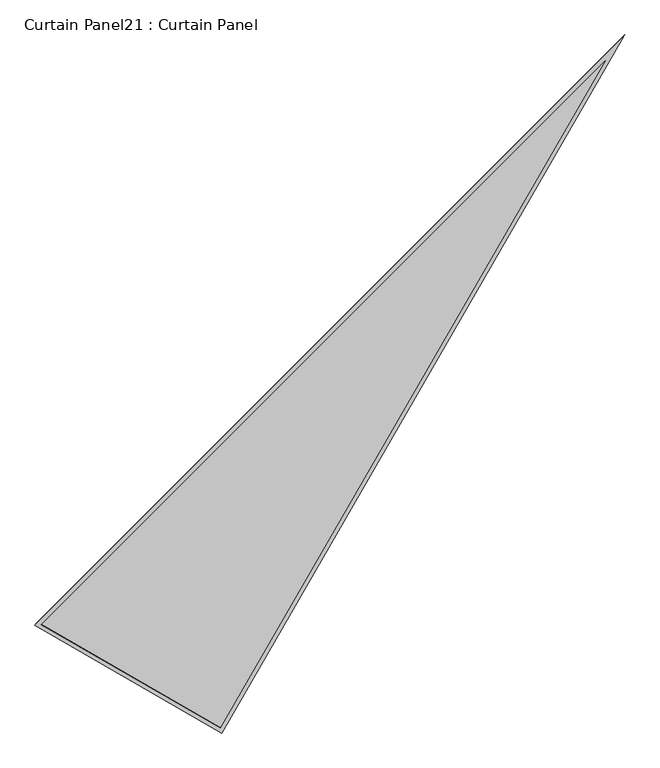
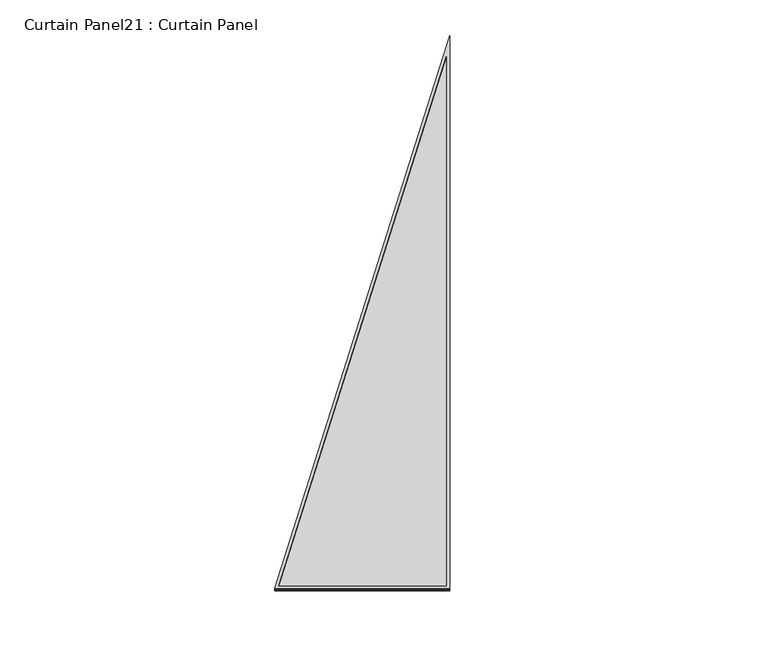
"""IFC4 building model written with IfcOpenShell, lengths in millimetres: plate geometry, Curtain Panel21 : Curtain Panel."""

from ifc_helpers import new_model, si_unit, frame, origin, place, context, project, spatial, polyline, outline, extrude, source, transform, mapped, element, save


def curtain_panel21_curtain_panel_4f3704bd(model_context):
    return source(origin(), model_context, "Body", "SweptSolid", [
        extrude(outline(polyline([(895.9676902, 0.0), (0.0, -3524.5699932), (0.0, 0.0), (895.9676902, 0.0)]), holes=[polyline([(874.5391508, -16.6627979), (16.6627979, -16.6627979), (16.6627979, -3391.3885659), (874.5391508, -16.6627979)])]), frame((8203.185005, -3990.8020969, 898.6664422), z_axis=(-0.15807291198690504, -0.27379031486167804, 0.948710608132914), x_axis=(-0.8660254037844344, 0.5000000000000075, 0.0)), (0.0, 0.0, 1.0), 4.8672914),
        extrude(outline(polyline([(895.9676901, 0.0), (-1e-07, -3524.5699932), (0.0, 0.0), (895.9676901, 0.0)]), holes=[polyline([(882.7053199, -10.3127979), (10.3127978, -10.3127979), (10.3127978, -3442.142471), (882.7053199, -10.3127979)])]), frame((8205.9657389, -3985.9857244, 881.9772337), z_axis=(-0.15807291198690485, -0.2737903148616782, 0.948710608132914), x_axis=(-0.8660254037844345, 0.5000000000000072, 0.0)), (0.0, 0.0, 1.0), 4.8324589),
        extrude(outline(polyline([(12.7, 0.0), (908.6676902, 0.0), (12.7, -3524.5699931), (12.7, 0.0)])), frame((8216.2083447, -3993.6450108, 886.514041), z_axis=(-0.15807291198690485, -0.273790314861678, 0.948710608132914), x_axis=(-0.866025403784434, 0.500000000000008, 0.0)), (0.0, 0.0, 1.0), 12.8093869),
    ])


if __name__ == "__main__":
    model = new_model("IFC4")
    model_context = context("Model", 3, world=origin())
    ifc_project = project(units=[si_unit("LENGTHUNIT", "METRE", prefix="MILLI")], contexts=[model_context])
    site = spatial("IfcSite", under=ifc_project)
    building = spatial("IfcBuilding", under=site)
    placement = place(None, origin())
    curtain_panel21_curtain_panel_shape = curtain_panel21_curtain_panel_4f3704bd(model_context)
    element("IfcPlate", 1, ObjectType="Curtain Panel21 : Curtain Panel", at=placement, inside=building, context=model_context, shape_type="MappedRepresentation", body=[
        mapped(curtain_panel21_curtain_panel_shape, transform((0.0, 0.0, 0.0), x_axis=(1.0, 0.0, 0.0), y_axis=(0.0, 1.0, 0.0), z_axis=(0.0, 0.0, 1.0))),
    ])
    save(model, "model.ifc")
